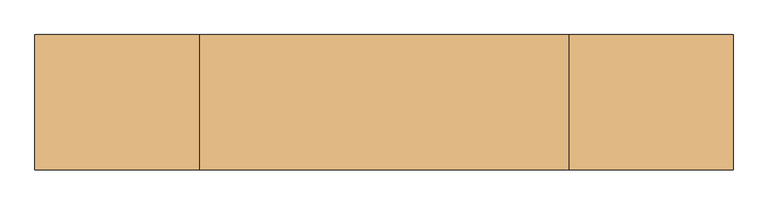
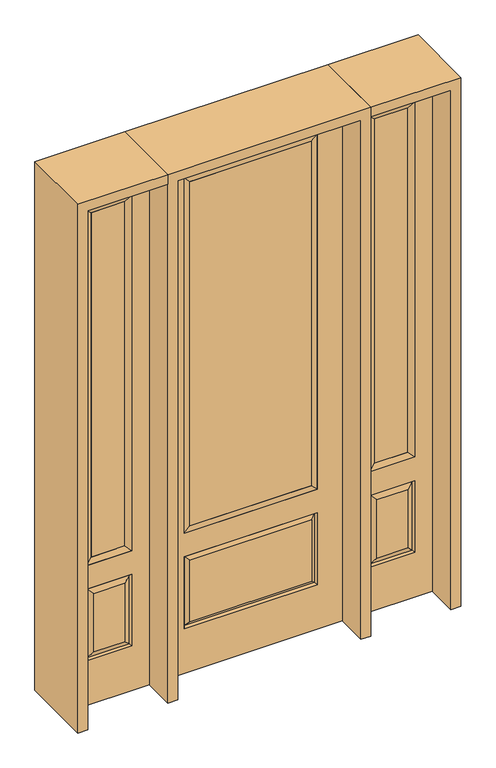
"""IFC4 building model written with IfcOpenShell, lengths in millimetres: door geometry."""

from ifc_helpers import new_model, si_unit, frame, origin, place, context, project, spatial, polyline, outline, extrude, faceted_brep, source, transform, mapped, element, save


def door_ed8fc935(model_context):
    return source(origin(), model_context, "Body", "SolidModel", [
        faceted_brep([(450.85, -22.225, 0.0), (806.45, -22.225, 0.0), (806.45, -22.225, 2438.4), (450.85, -22.225, 2438.4), (728.98, -22.225, 2325.624), (728.98, -22.225, 657.098), (528.32, -22.225, 657.098), (528.32, -22.225, 2325.624), (728.98, -22.225, 209.55), (528.32, -22.225, 209.55), (528.32, -22.225, 546.1), (728.98, -22.225, 546.1), (560.0351001, -22.225, 241.2651001), (697.2648999, -22.225, 241.2651001), (697.2648999, -22.225, 514.3848999), (560.0351001, -22.225, 514.3848999), (450.85, 22.225, 0.0), (450.85, 22.225, 2438.4), (806.45, 22.225, 2438.4), (806.45, 22.225, 0.0), (728.98, 22.225, 2325.624), (528.32, 22.225, 2325.624), (528.32, 22.225, 657.098), (728.98, 22.225, 657.098), (528.32, 22.225, 209.55), (728.98, 22.225, 209.55), (728.98, 22.225, 546.1), (528.32, 22.225, 546.1), (697.2648999, 22.225, 241.2651001), (560.0351001, 22.225, 241.2651001), (560.0351001, 22.225, 514.3848999), (697.2648999, 22.225, 514.3848999), (721.8711499, 12.7912373, 216.6588501), (535.4288501, 12.7912373, 216.6588501), (535.4288501, 12.7912373, 538.9911499), (721.8711499, 12.7912373, 538.9911499), (535.4288501, -12.7912373, 216.6588501), (721.8711499, -12.7912373, 216.6588501), (535.4288501, -12.7912373, 538.9911499), (721.8711499, -12.7912373, 538.9911499)], [[[0, 1, 2, 3], [4, 5, 6, 7], [8, 9, 10, 11]], [[12, 13, 14, 15]], [[16, 17, 18, 19], [20, 21, 22, 23], [24, 25, 26, 27]], [[28, 29, 30, 31]], [[1, 0, 16, 19]], [[2, 1, 19, 18]], [[3, 2, 18, 17]], [[0, 3, 17, 16]], [[5, 4, 20, 23]], [[6, 5, 23, 22]], [[7, 6, 22, 21]], [[4, 7, 21, 20]], [[32, 33, 29, 28]], [[33, 32, 25, 24]], [[29, 33, 34, 30]], [[33, 24, 27, 34]], [[30, 34, 35, 31]], [[34, 27, 26, 35]], [[32, 28, 31, 35]], [[25, 32, 35, 26]], [[12, 36, 37, 13]], [[37, 36, 9, 8]], [[36, 12, 15, 38]], [[9, 36, 38, 10]], [[38, 15, 14, 39]], [[10, 38, 39, 11]], [[13, 37, 39, 14]], [[37, 8, 11, 39]]]),
        faceted_brep([(528.32, 22.225, 2325.624), (528.32, -22.225, 2325.624), (728.98, -22.225, 2325.624), (728.98, 22.225, 2325.624), (553.72, 12.7, 2300.224), (703.58, 12.7, 2300.224), (553.72, -12.7, 2300.224), (703.58, -12.7, 2300.224), (728.98, -22.225, 657.098), (728.98, 22.225, 657.098), (703.58, 12.7, 682.498), (703.58, -12.7, 682.498), (528.32, -22.225, 657.098), (528.32, 22.225, 657.098), (553.72, 12.7, 682.498), (553.72, -12.7, 682.498)], [[[0, 1, 2, 3]], [[4, 0, 3, 5]], [[6, 4, 5, 7]], [[1, 6, 7, 2]], [[3, 2, 8, 9]], [[5, 3, 9, 10]], [[7, 5, 10, 11]], [[2, 7, 11, 8]], [[9, 8, 12, 13]], [[10, 9, 13, 14]], [[11, 10, 14, 15]], [[8, 11, 15, 12]], [[13, 12, 1, 0]], [[14, 13, 0, 4]], [[15, 14, 4, 6]], [[12, 15, 6, 1]]]),
        extrude(outline(polyline([(703.58, -12.7), (553.72, -12.7), (553.72, 12.7), (703.58, 12.7), (703.58, -12.7)])), frame((0.0, 0.0, 682.498), z_axis=(0.0, 0.0, 1.0), x_axis=(1.0, 0.0, 0.0)), (0.0, 0.0, 1.0), 1617.726),
        faceted_brep([(-806.45, -22.225, 0.0), (-450.85, -22.225, 0.0), (-450.85, -22.225, 2438.4), (-806.45, -22.225, 2438.4), (-528.32, -22.225, 2325.624), (-528.32, -22.225, 657.098), (-728.98, -22.225, 657.098), (-728.98, -22.225, 2325.624), (-528.32, -22.225, 209.55), (-728.98, -22.225, 209.55), (-728.98, -22.225, 546.1), (-528.32, -22.225, 546.1), (-697.2648999, -22.225, 241.2651001), (-560.0351001, -22.225, 241.2651001), (-560.0351001, -22.225, 514.3848999), (-697.2648999, -22.225, 514.3848999), (-806.45, 22.225, 0.0), (-806.45, 22.225, 2438.4), (-450.85, 22.225, 2438.4), (-450.85, 22.225, 0.0), (-528.32, 22.225, 2325.624), (-728.98, 22.225, 2325.624), (-728.98, 22.225, 657.098), (-528.32, 22.225, 657.098), (-728.98, 22.225, 209.55), (-528.32, 22.225, 209.55), (-528.32, 22.225, 546.1), (-728.98, 22.225, 546.1), (-560.0351001, 22.225, 241.2651001), (-697.2648999, 22.225, 241.2651001), (-697.2648999, 22.225, 514.3848999), (-560.0351001, 22.225, 514.3848999), (-535.4288501, 12.7912373, 216.6588501), (-721.8711499, 12.7912373, 216.6588501), (-721.8711499, 12.7912373, 538.9911499), (-535.4288501, 12.7912373, 538.9911499), (-721.8711499, -12.7912373, 216.6588501), (-535.4288501, -12.7912373, 216.6588501), (-721.8711499, -12.7912373, 538.9911499), (-535.4288501, -12.7912373, 538.9911499)], [[[0, 1, 2, 3], [4, 5, 6, 7], [8, 9, 10, 11]], [[12, 13, 14, 15]], [[16, 17, 18, 19], [20, 21, 22, 23], [24, 25, 26, 27]], [[28, 29, 30, 31]], [[1, 0, 16, 19]], [[2, 1, 19, 18]], [[3, 2, 18, 17]], [[0, 3, 17, 16]], [[5, 4, 20, 23]], [[6, 5, 23, 22]], [[7, 6, 22, 21]], [[4, 7, 21, 20]], [[32, 33, 29, 28]], [[33, 32, 25, 24]], [[29, 33, 34, 30]], [[33, 24, 27, 34]], [[30, 34, 35, 31]], [[34, 27, 26, 35]], [[32, 28, 31, 35]], [[25, 32, 35, 26]], [[12, 36, 37, 13]], [[37, 36, 9, 8]], [[36, 12, 15, 38]], [[9, 36, 38, 10]], [[38, 15, 14, 39]], [[10, 38, 39, 11]], [[13, 37, 39, 14]], [[37, 8, 11, 39]]]),
        faceted_brep([(-728.98, 22.225, 2325.624), (-728.98, -22.225, 2325.624), (-528.32, -22.225, 2325.624), (-528.32, 22.225, 2325.624), (-703.58, 12.7, 2300.224), (-553.72, 12.7, 2300.224), (-703.58, -12.7, 2300.224), (-553.72, -12.7, 2300.224), (-528.32, -22.225, 657.098), (-528.32, 22.225, 657.098), (-553.72, 12.7, 682.498), (-553.72, -12.7, 682.498), (-728.98, -22.225, 657.098), (-728.98, 22.225, 657.098), (-703.58, 12.7, 682.498), (-703.58, -12.7, 682.498)], [[[0, 1, 2, 3]], [[4, 0, 3, 5]], [[6, 4, 5, 7]], [[1, 6, 7, 2]], [[3, 2, 8, 9]], [[5, 3, 9, 10]], [[7, 5, 10, 11]], [[2, 7, 11, 8]], [[9, 8, 12, 13]], [[10, 9, 13, 14]], [[11, 10, 14, 15]], [[8, 11, 15, 12]], [[13, 12, 1, 0]], [[14, 13, 0, 4]], [[15, 14, 4, 6]], [[12, 15, 6, 1]]]),
        extrude(outline(polyline([(-553.72, -12.7), (-703.58, -12.7), (-703.58, 12.7), (-553.72, 12.7), (-553.72, -12.7)])), frame((0.0, 0.0, 682.498), z_axis=(0.0, 0.0, 1.0), x_axis=(1.0, 0.0, 0.0)), (0.0, 0.0, 1.0), 1617.726),
        extrude(outline(polyline([(269.875, -20.32), (-269.875, -20.32), (-269.875, 5.08), (269.875, 5.08), (269.875, -20.32)])), frame((0.0, 0.0, 682.498), z_axis=(0.0, 0.0, 1.0), x_axis=(1.0, 0.0, 0.0)), (0.0, 0.0, 1.0), 1616.202),
        faceted_brep([(-288.1661499, -12.7912373, 216.6588501), (288.1661499, -12.7912373, 216.6588501), (270.66875, -22.225, 234.15625), (-270.66875, -22.225, 234.15625), (-295.275, -22.225, 209.55), (295.275, -22.225, 209.55), (-288.1661499, -12.7912373, 538.9911499), (-295.275, -22.225, 546.1), (270.66875, -22.225, 521.49375), (-270.66875, -22.225, 521.49375), (406.4, -22.225, 2438.4), (-406.4, -22.225, 2438.4), (-406.4, -22.225, 0.0), (406.4, -22.225, 0.0), (295.275, -22.225, 546.1), (295.275, -22.225, 2324.1), (295.275, -22.225, 657.098), (-295.275, -22.225, 657.098), (-295.275, -22.225, 2324.1), (288.1661499, -12.7912373, 538.9911499), (-406.4, 22.225, 2438.4), (-406.4, 22.225, 0.0), (406.4, 22.225, 0.0), (406.4, 22.225, 2438.4), (295.275, 22.225, 2324.1), (295.275, 22.225, 657.098), (-295.275, 22.225, 657.098), (-295.275, 22.225, 2324.1), (-295.275, 22.225, 209.55), (295.275, 22.225, 209.55), (295.275, 22.225, 546.1), (-295.275, 22.225, 546.1), (270.66875, 22.225, 234.15625), (-270.66875, 22.225, 234.15625), (-270.66875, 22.225, 521.49375), (270.66875, 22.225, 521.49375), (-288.1661499, 12.7912373, 216.6588501), (288.1661499, 12.7912373, 216.6588501), (288.1661499, 12.7912373, 538.9911499), (-288.1661499, 12.7912373, 538.9911499)], [[[0, 1, 2, 3]], [[1, 0, 4, 5]], [[4, 0, 6, 7]], [[3, 2, 8, 9]], [[10, 11, 12, 13], [5, 4, 7, 14], [15, 16, 17, 18]], [[1, 5, 14, 19]], [[2, 1, 19, 8]], [[0, 3, 9, 6]], [[7, 6, 19, 14]], [[6, 9, 8, 19]], [[12, 11, 20, 21]], [[13, 12, 21, 22]], [[10, 13, 22, 23]], [[16, 15, 24, 25]], [[17, 16, 25, 26]], [[18, 17, 26, 27]], [[23, 22, 21, 20], [28, 29, 30, 31], [24, 27, 26, 25]], [[32, 33, 34, 35]], [[28, 36, 37, 29]], [[29, 37, 38, 30]], [[39, 31, 30, 38]], [[36, 28, 31, 39]], [[37, 36, 33, 32]], [[33, 36, 39, 34]], [[34, 39, 38, 35]], [[37, 32, 35, 38]], [[11, 10, 23, 20]], [[15, 18, 27, 24]]]),
        faceted_brep([(-295.275, -22.225, 2324.1), (-295.275, 22.225, 2324.1), (-295.275, 22.225, 657.098), (-295.275, -22.225, 657.098), (295.275, 22.225, 657.098), (295.275, -22.225, 657.098), (-269.875, 5.08, 682.498), (269.875, 5.08, 682.498), (295.275, 22.225, 2324.1), (295.275, -22.225, 2324.1), (-269.875, -20.32, 682.498), (269.875, -20.32, 682.498), (-269.875, -20.32, 2298.7), (269.875, -20.32, 2298.7), (-269.875, 5.08, 2298.7), (269.875, 5.08, 2298.7)], [[[0, 1, 2, 3]], [[3, 2, 4, 5]], [[2, 6, 7, 4]], [[5, 4, 8, 9]], [[10, 3, 5, 11]], [[12, 0, 3, 10]], [[11, 5, 9, 13]], [[6, 10, 11, 7]], [[14, 12, 10, 6]], [[7, 11, 13, 15]], [[1, 14, 6, 2]], [[4, 7, 15, 8]], [[9, 8, 1, 0]], [[13, 9, 0, 12]], [[15, 13, 12, 14]], [[8, 15, 14, 1]]]),
        extrude(outline(polyline([(2438.4, -450.85), (2482.85, -450.85), (2482.85, -850.9), (0.0, -850.9), (0.0, -806.45), (2438.4, -806.45), (2438.4, -450.85)])), frame((0.0, -165.1, 0.0), z_axis=(0.0, 1.0, 0.0), x_axis=(0.0, 0.0, 1.0)), (0.0, 0.0, 1.0), 330.2),
        extrude(outline(polyline([(2482.85, -450.85), (0.0, -450.85), (0.0, -406.4), (2438.4, -406.4), (2438.4, 406.4), (0.0, 406.4), (0.0, 450.85), (2482.85, 450.85), (2482.85, -450.85)])), frame((0.0, -165.1, 0.0), z_axis=(0.0, 1.0, 0.0), x_axis=(0.0, 0.0, 1.0)), (0.0, 0.0, 1.0), 330.2),
        extrude(outline(polyline([(0.0, 806.45), (0.0, 850.9), (2482.85, 850.9), (2482.85, 450.85), (2438.4, 450.85), (2438.4, 806.45), (0.0, 806.45)])), frame((0.0, -165.1, 0.0), z_axis=(0.0, 1.0, 0.0), x_axis=(0.0, 0.0, 1.0)), (0.0, 0.0, 1.0), 330.2),
    ])


if __name__ == "__main__":
    model = new_model("IFC4")
    model_context = context("Model", 3, world=origin())
    ifc_project = project(units=[si_unit("LENGTHUNIT", "METRE", prefix="MILLI")], contexts=[model_context])
    site = spatial("IfcSite", under=ifc_project)
    building = spatial("IfcBuilding", under=site)
    placement = place(None, origin())
    door_shape = door_ed8fc935(model_context)
    element("IfcDoor", 1, at=placement, inside=building, context=model_context, shape_type="MappedRepresentation", body=[
        mapped(door_shape, transform((0.0, 0.0, 0.0), x_axis=(1.0, 0.0, 0.0), y_axis=(0.0, 1.0, 0.0), z_axis=(0.0, 0.0, 1.0))),
    ])
    save(model, "model.ifc")
